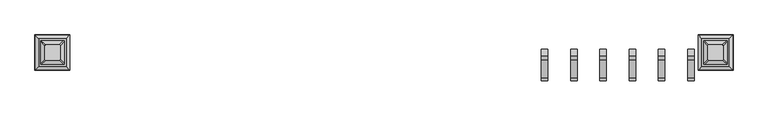
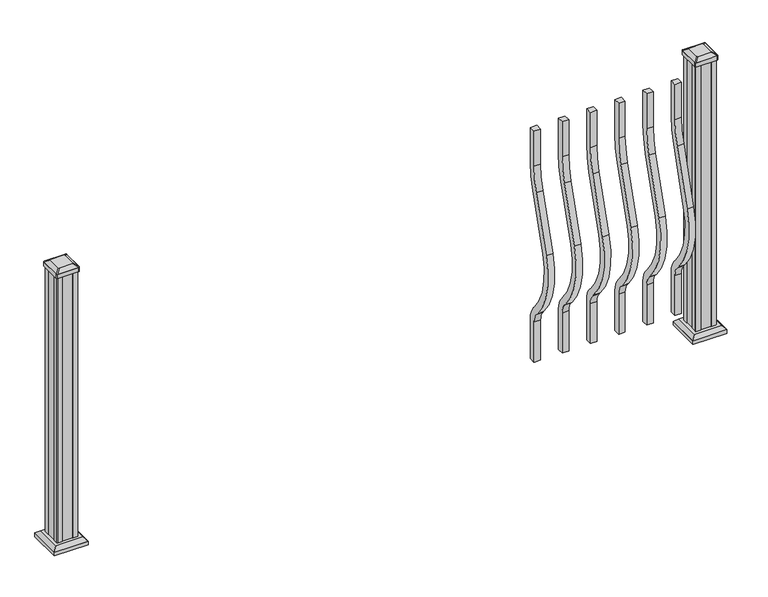
"""IFC4 building model written with IfcOpenShell, lengths in millimetres: railing geometry."""

from ifc_helpers import new_model, si_unit, point, frame, frame_2d, origin, origin_with_axes, place, context, project, spatial, polyline, circle_curve, trimmed, segment, composite_curve, outline, extrude, faceted_brep, source, transform, mapped, element, save
from ifc_brep_helpers import plane_surface, extruded_surface, advanced_brep


def railing_48706230(model_context):
    return source(origin(), model_context, "Body", "SolidModel", [
        extrude(outline(composite_curve([segment(trimmed(circle_curve(frame_2d((-49632.366414, 921.03216)), 372.7), [point((-49259.666414, 921.03216))], [point((-49275.9516315, 812.0652257))], False, "CARTESIAN"), True, "CONTINUOUS"), segment(polyline([(-49275.9516315, 812.0652257), (-49343.7789093, 590.2121964)]), True, "CONTINUOUS"), segment(trimmed(circle_curve(frame_2d((-49088.158648, 512.0612397)), 267.3), [point((-49343.7789093, 590.2121964))], [point((-49287.4736709, 333.9522516))], True, "CARTESIAN"), True, "CONTINUOUS"), segment(polyline([(-49287.4736709, 333.9522516), (-49281.9719976, 327.7955374)]), True, "CONTINUOUS"), segment(trimmed(circle_curve(frame_2d((-49347.366414, 269.3587313)), 87.7), [point((-49281.9719976, 327.7955374))], [point((-49259.666414, 269.3587313))], False, "CARTESIAN"), True, "CONTINUOUS"), segment(polyline([(-49259.666414, 269.3587313), (-49259.666414, 101.5958781), (-49285.066414, 101.5958781), (-49285.066414, 269.3587313)]), True, "CONTINUOUS"), segment(trimmed(circle_curve(frame_2d((-49347.366414, 269.3587313)), 62.3), [point((-49285.066414, 269.3587313))], [point((-49300.9117716, 310.8708524))], True, "CARTESIAN"), True, "CONTINUOUS"), segment(polyline([(-49300.9117716, 310.8708524), (-49306.4134448, 317.0275666)]), True, "CONTINUOUS"), segment(trimmed(circle_curve(frame_2d((-49088.158648, 512.0612397)), 292.7), [point((-49306.4134448, 317.0275666))], [point((-49368.0690501, 597.6384377))], False, "CARTESIAN"), True, "CONTINUOUS"), segment(polyline([(-49368.0690501, 597.6384377), (-49300.2417723, 819.491467)]), True, "CONTINUOUS"), segment(trimmed(circle_curve(frame_2d((-49632.366414, 921.03216)), 347.3), [point((-49300.2417723, 819.491467))], [point((-49285.066414, 921.03216))], True, "CARTESIAN"), True, "CONTINUOUS"), segment(polyline([(-49285.066414, 921.03216), (-49285.066414, 1066.8), (-49259.666414, 1066.8), (-49259.666414, 921.03216)]), True, "CONTINUOUS")], self_intersect=False)), frame((18834.6001294, 0.0, 0.0), z_axis=(1.0, 0.0, 0.0), x_axis=(0.0, 1.0, 0.0)), (0.0, 0.0, 1.0), 25.4),
        extrude(outline(composite_curve([segment(trimmed(circle_curve(frame_2d((-49632.366414, 921.03216)), 372.7), [point((-49259.666414, 921.03216))], [point((-49275.9516315, 812.0652257))], False, "CARTESIAN"), True, "CONTINUOUS"), segment(polyline([(-49275.9516315, 812.0652257), (-49343.7789093, 590.2121964)]), True, "CONTINUOUS"), segment(trimmed(circle_curve(frame_2d((-49088.158648, 512.0612397)), 267.3), [point((-49343.7789093, 590.2121964))], [point((-49287.4736709, 333.9522516))], True, "CARTESIAN"), True, "CONTINUOUS"), segment(polyline([(-49287.4736709, 333.9522516), (-49281.9719976, 327.7955374)]), True, "CONTINUOUS"), segment(trimmed(circle_curve(frame_2d((-49347.366414, 269.3587313)), 87.7), [point((-49281.9719976, 327.7955374))], [point((-49259.666414, 269.3587313))], False, "CARTESIAN"), True, "CONTINUOUS"), segment(polyline([(-49259.666414, 269.3587313), (-49259.666414, 101.5958781), (-49285.066414, 101.5958781), (-49285.066414, 269.3587313)]), True, "CONTINUOUS"), segment(trimmed(circle_curve(frame_2d((-49347.366414, 269.3587313)), 62.3), [point((-49285.066414, 269.3587313))], [point((-49300.9117716, 310.8708524))], True, "CARTESIAN"), True, "CONTINUOUS"), segment(polyline([(-49300.9117716, 310.8708524), (-49306.4134448, 317.0275666)]), True, "CONTINUOUS"), segment(trimmed(circle_curve(frame_2d((-49088.158648, 512.0612397)), 292.7), [point((-49306.4134448, 317.0275666))], [point((-49368.0690501, 597.6384377))], False, "CARTESIAN"), True, "CONTINUOUS"), segment(polyline([(-49368.0690501, 597.6384377), (-49300.2417723, 819.491467)]), True, "CONTINUOUS"), segment(trimmed(circle_curve(frame_2d((-49632.366414, 921.03216)), 347.3), [point((-49300.2417723, 819.491467))], [point((-49285.066414, 921.03216))], True, "CARTESIAN"), True, "CONTINUOUS"), segment(polyline([(-49285.066414, 921.03216), (-49285.066414, 1066.8), (-49259.666414, 1066.8), (-49259.666414, 921.03216)]), True, "CONTINUOUS")], self_intersect=False)), frame((18945.8521294, 0.0, 0.0), z_axis=(1.0, 0.0, 0.0), x_axis=(0.0, 1.0, 0.0)), (0.0, 0.0, 1.0), 25.4),
        extrude(outline(composite_curve([segment(trimmed(circle_curve(frame_2d((-49632.366414, 921.03216)), 372.7), [point((-49259.666414, 921.03216))], [point((-49275.9516315, 812.0652257))], False, "CARTESIAN"), True, "CONTINUOUS"), segment(polyline([(-49275.9516315, 812.0652257), (-49343.7789093, 590.2121964)]), True, "CONTINUOUS"), segment(trimmed(circle_curve(frame_2d((-49088.158648, 512.0612397)), 267.3), [point((-49343.7789093, 590.2121964))], [point((-49287.4736709, 333.9522516))], True, "CARTESIAN"), True, "CONTINUOUS"), segment(polyline([(-49287.4736709, 333.9522516), (-49281.9719976, 327.7955374)]), True, "CONTINUOUS"), segment(trimmed(circle_curve(frame_2d((-49347.366414, 269.3587313)), 87.7), [point((-49281.9719976, 327.7955374))], [point((-49259.666414, 269.3587313))], False, "CARTESIAN"), True, "CONTINUOUS"), segment(polyline([(-49259.666414, 269.3587313), (-49259.666414, 101.5958781), (-49285.066414, 101.5958781), (-49285.066414, 269.3587313)]), True, "CONTINUOUS"), segment(trimmed(circle_curve(frame_2d((-49347.366414, 269.3587313)), 62.3), [point((-49285.066414, 269.3587313))], [point((-49300.9117716, 310.8708524))], True, "CARTESIAN"), True, "CONTINUOUS"), segment(polyline([(-49300.9117716, 310.8708524), (-49306.4134448, 317.0275666)]), True, "CONTINUOUS"), segment(trimmed(circle_curve(frame_2d((-49088.158648, 512.0612397)), 292.7), [point((-49306.4134448, 317.0275666))], [point((-49368.0690501, 597.6384377))], False, "CARTESIAN"), True, "CONTINUOUS"), segment(polyline([(-49368.0690501, 597.6384377), (-49300.2417723, 819.491467)]), True, "CONTINUOUS"), segment(trimmed(circle_curve(frame_2d((-49632.366414, 921.03216)), 347.3), [point((-49300.2417723, 819.491467))], [point((-49285.066414, 921.03216))], True, "CARTESIAN"), True, "CONTINUOUS"), segment(polyline([(-49285.066414, 921.03216), (-49285.066414, 1066.8), (-49259.666414, 1066.8), (-49259.666414, 921.03216)]), True, "CONTINUOUS")], self_intersect=False)), frame((19057.1041294, 0.0, 0.0), z_axis=(1.0, 0.0, 0.0), x_axis=(0.0, 1.0, 0.0)), (0.0, 0.0, 1.0), 25.4),
        extrude(outline(composite_curve([segment(trimmed(circle_curve(frame_2d((-49632.366414, 921.03216)), 372.7), [point((-49259.666414, 921.03216))], [point((-49275.9516315, 812.0652257))], False, "CARTESIAN"), True, "CONTINUOUS"), segment(polyline([(-49275.9516315, 812.0652257), (-49343.7789093, 590.2121964)]), True, "CONTINUOUS"), segment(trimmed(circle_curve(frame_2d((-49088.158648, 512.0612397)), 267.3), [point((-49343.7789093, 590.2121964))], [point((-49287.4736709, 333.9522516))], True, "CARTESIAN"), True, "CONTINUOUS"), segment(polyline([(-49287.4736709, 333.9522516), (-49281.9719976, 327.7955374)]), True, "CONTINUOUS"), segment(trimmed(circle_curve(frame_2d((-49347.366414, 269.3587313)), 87.7), [point((-49281.9719976, 327.7955374))], [point((-49259.666414, 269.3587313))], False, "CARTESIAN"), True, "CONTINUOUS"), segment(polyline([(-49259.666414, 269.3587313), (-49259.666414, 101.5958781), (-49285.066414, 101.5958781), (-49285.066414, 269.3587313)]), True, "CONTINUOUS"), segment(trimmed(circle_curve(frame_2d((-49347.366414, 269.3587313)), 62.3), [point((-49285.066414, 269.3587313))], [point((-49300.9117716, 310.8708524))], True, "CARTESIAN"), True, "CONTINUOUS"), segment(polyline([(-49300.9117716, 310.8708524), (-49306.4134448, 317.0275666)]), True, "CONTINUOUS"), segment(trimmed(circle_curve(frame_2d((-49088.158648, 512.0612397)), 292.7), [point((-49306.4134448, 317.0275666))], [point((-49368.0690501, 597.6384377))], False, "CARTESIAN"), True, "CONTINUOUS"), segment(polyline([(-49368.0690501, 597.6384377), (-49300.2417723, 819.491467)]), True, "CONTINUOUS"), segment(trimmed(circle_curve(frame_2d((-49632.366414, 921.03216)), 347.3), [point((-49300.2417723, 819.491467))], [point((-49285.066414, 921.03216))], True, "CARTESIAN"), True, "CONTINUOUS"), segment(polyline([(-49285.066414, 921.03216), (-49285.066414, 1066.8), (-49259.666414, 1066.8), (-49259.666414, 921.03216)]), True, "CONTINUOUS")], self_intersect=False)), frame((19168.3561294, 0.0, 0.0), z_axis=(1.0, 0.0, 0.0), x_axis=(0.0, 1.0, 0.0)), (0.0, 0.0, 1.0), 25.4),
        extrude(outline(composite_curve([segment(trimmed(circle_curve(frame_2d((-49632.366414, 921.03216)), 372.7), [point((-49259.666414, 921.03216))], [point((-49275.9516315, 812.0652257))], False, "CARTESIAN"), True, "CONTINUOUS"), segment(polyline([(-49275.9516315, 812.0652257), (-49343.7789093, 590.2121964)]), True, "CONTINUOUS"), segment(trimmed(circle_curve(frame_2d((-49088.158648, 512.0612397)), 267.3), [point((-49343.7789093, 590.2121964))], [point((-49287.4736709, 333.9522516))], True, "CARTESIAN"), True, "CONTINUOUS"), segment(polyline([(-49287.4736709, 333.9522516), (-49281.9719976, 327.7955374)]), True, "CONTINUOUS"), segment(trimmed(circle_curve(frame_2d((-49347.366414, 269.3587313)), 87.7), [point((-49281.9719976, 327.7955374))], [point((-49259.666414, 269.3587313))], False, "CARTESIAN"), True, "CONTINUOUS"), segment(polyline([(-49259.666414, 269.3587313), (-49259.666414, 101.5958781), (-49285.066414, 101.5958781), (-49285.066414, 269.3587313)]), True, "CONTINUOUS"), segment(trimmed(circle_curve(frame_2d((-49347.366414, 269.3587313)), 62.3), [point((-49285.066414, 269.3587313))], [point((-49300.9117716, 310.8708524))], True, "CARTESIAN"), True, "CONTINUOUS"), segment(polyline([(-49300.9117716, 310.8708524), (-49306.4134448, 317.0275666)]), True, "CONTINUOUS"), segment(trimmed(circle_curve(frame_2d((-49088.158648, 512.0612397)), 292.7), [point((-49306.4134448, 317.0275666))], [point((-49368.0690501, 597.6384377))], False, "CARTESIAN"), True, "CONTINUOUS"), segment(polyline([(-49368.0690501, 597.6384377), (-49300.2417723, 819.491467)]), True, "CONTINUOUS"), segment(trimmed(circle_curve(frame_2d((-49632.366414, 921.03216)), 347.3), [point((-49300.2417723, 819.491467))], [point((-49285.066414, 921.03216))], True, "CARTESIAN"), True, "CONTINUOUS"), segment(polyline([(-49285.066414, 921.03216), (-49285.066414, 1066.8), (-49259.666414, 1066.8), (-49259.666414, 921.03216)]), True, "CONTINUOUS")], self_intersect=False)), frame((19279.6081294, 0.0, 0.0), z_axis=(1.0, 0.0, 0.0), x_axis=(0.0, 1.0, 0.0)), (0.0, 0.0, 1.0), 25.4),
        extrude(outline(composite_curve([segment(trimmed(circle_curve(frame_2d((-49632.366414, 921.03216)), 372.7), [point((-49259.666414, 921.03216))], [point((-49275.9516315, 812.0652257))], False, "CARTESIAN"), True, "CONTINUOUS"), segment(polyline([(-49275.9516315, 812.0652257), (-49343.7789093, 590.2121964)]), True, "CONTINUOUS"), segment(trimmed(circle_curve(frame_2d((-49088.158648, 512.0612397)), 267.3), [point((-49343.7789093, 590.2121964))], [point((-49287.4736709, 333.9522516))], True, "CARTESIAN"), True, "CONTINUOUS"), segment(polyline([(-49287.4736709, 333.9522516), (-49281.9719976, 327.7955374)]), True, "CONTINUOUS"), segment(trimmed(circle_curve(frame_2d((-49347.366414, 269.3587313)), 87.7), [point((-49281.9719976, 327.7955374))], [point((-49259.666414, 269.3587313))], False, "CARTESIAN"), True, "CONTINUOUS"), segment(polyline([(-49259.666414, 269.3587313), (-49259.666414, 101.5958781), (-49285.066414, 101.5958781), (-49285.066414, 269.3587313)]), True, "CONTINUOUS"), segment(trimmed(circle_curve(frame_2d((-49347.366414, 269.3587313)), 62.3), [point((-49285.066414, 269.3587313))], [point((-49300.9117716, 310.8708524))], True, "CARTESIAN"), True, "CONTINUOUS"), segment(polyline([(-49300.9117716, 310.8708524), (-49306.4134448, 317.0275666)]), True, "CONTINUOUS"), segment(trimmed(circle_curve(frame_2d((-49088.158648, 512.0612397)), 292.7), [point((-49306.4134448, 317.0275666))], [point((-49368.0690501, 597.6384377))], False, "CARTESIAN"), True, "CONTINUOUS"), segment(polyline([(-49368.0690501, 597.6384377), (-49300.2417723, 819.491467)]), True, "CONTINUOUS"), segment(trimmed(circle_curve(frame_2d((-49632.366414, 921.03216)), 347.3), [point((-49300.2417723, 819.491467))], [point((-49285.066414, 921.03216))], True, "CARTESIAN"), True, "CONTINUOUS"), segment(polyline([(-49285.066414, 921.03216), (-49285.066414, 1066.8), (-49259.666414, 1066.8), (-49259.666414, 921.03216)]), True, "CONTINUOUS")], self_intersect=False)), frame((19390.8601294, 0.0, 0.0), z_axis=(1.0, 0.0, 0.0), x_axis=(0.0, 1.0, 0.0)), (0.0, 0.0, 1.0), 25.4),
        faceted_brep([(17028.6680669, -49324.9523515, 28.575), (17028.6680669, -49219.7804765, 28.575), (16923.4961919, -49219.7804765, 28.575), (16923.4961919, -49324.9523515, 28.575), (17042.7075201, -49338.9918046, 15.24), (16909.4567388, -49338.9918046, 15.24), (16909.4567388, -49205.7410234, 15.24), (17042.7075201, -49205.7410234, 15.24)], [[[0, 1, 2, 3]], [[4, 5, 6, 7]], [[4, 7, 1, 0]], [[7, 6, 2, 1]], [[6, 5, 3, 2]], [[5, 4, 0, 3]]]),
        extrude(outline(polyline([(17042.7075201, -49338.9918046), (16909.4567388, -49338.9918046), (16909.4567388, -49205.7410234), (17042.7075201, -49205.7410234), (17042.7075201, -49338.9918046)])), origin_with_axes(), (0.0, 0.0, 1.0), 15.24),
        advanced_brep(
        [(17005.0540044, -49246.569539, 1165.225), (17001.8790044, -49243.394539, 1165.225), (16950.2852544, -49243.394539, 1165.225), (16947.1102544, -49246.569539, 1165.225), (16947.1102544, -49298.163289, 1165.225), (16950.2852544, -49301.338289, 1165.225), (17001.8790044, -49301.338289, 1165.225), (17005.0540044, -49298.163289, 1165.225), (17021.3258794, -49230.297664, 1153.922), (17021.3258794, -49314.435164, 1153.922), (17018.1508794, -49317.610164, 1153.922), (16934.0133794, -49317.610164, 1153.922), (16930.8383794, -49314.435164, 1153.922), (16930.8383794, -49230.297664, 1153.922), (16934.0133794, -49227.122664, 1153.922), (17018.1508794, -49227.122664, 1153.922)],
        [
            (0, 1, circle_curve(frame((17001.8790044, -49246.569539, 1165.225), z_axis=(0.0, 0.0, 1.0), x_axis=(-1.0, 0.0, 0.0)), 3.175)),
            (1, 2),
            (2, 3, circle_curve(frame((16950.2852544, -49246.569539, 1165.225), z_axis=(0.0, 0.0, 1.0), x_axis=(-1.0, 0.0, 0.0)), 3.175)),
            (3, 4),
            (4, 5, circle_curve(frame((16950.2852544, -49298.163289, 1165.225), z_axis=(0.0, 0.0, 1.0), x_axis=(-1.0, 0.0, 0.0)), 3.175)),
            (5, 6),
            (6, 7, circle_curve(frame((17001.8790044, -49298.163289, 1165.225), z_axis=(0.0, 0.0, 1.0), x_axis=(-1.0, 0.0, 0.0)), 3.175)),
            (7, 0),
            (8, 9),
            (9, 10, circle_curve(frame((17018.1508794, -49314.435164, 1153.922), z_axis=(0.0, 0.0, -1.0), x_axis=(-1.0, 0.0, 0.0)), 3.175)),
            (10, 11),
            (11, 12, circle_curve(frame((16934.0133794, -49314.435164, 1153.922), z_axis=(0.0, 0.0, -1.0), x_axis=(-1.0, 0.0, 0.0)), 3.175)),
            (12, 13),
            (13, 14, circle_curve(frame((16934.0133794, -49230.297664, 1153.922), z_axis=(0.0, 0.0, -1.0), x_axis=(-1.0, 0.0, 0.0)), 3.175)),
            (14, 15),
            (15, 8, circle_curve(frame((17018.1508794, -49230.297664, 1153.922), z_axis=(0.0, 0.0, -1.0), x_axis=(-1.0, 0.0, 0.0)), 3.175)),
            (15, 1),
            (0, 8),
            (14, 2),
            (13, 3),
            (12, 4),
            (11, 5),
            (10, 6),
            (9, 7),
        ],
        [
            plane_surface(frame((16976.0821294, -49272.366414, 1165.225), z_axis=(0.0, 0.0, 1.0), x_axis=(0.0, 1.0, 0.0))),
            plane_surface(frame((16976.0821294, -49272.366414, 1153.922), z_axis=(0.0, 0.0, -1.0), x_axis=(0.0, 1.0, 0.0))),
            extruded_surface(trimmed(circle_curve(frame((17018.1508794, -49230.297664, 1153.922), z_axis=(0.0, 0.0, 1.0), x_axis=(-1.0, 0.0, 0.0)), 3.175), [point((17021.3258794, -49230.297664, 1153.922))], [point((17018.1508794, -49227.122664, 1153.922))], True, "CARTESIAN"), (-16.271874999998545, -16.271874999998545, 11.302999999999884), 25.637972638864262),
            plane_surface(frame((16976.0821294, -49227.122664, 1153.922), z_axis=(0.0, 0.5705009161540777, 0.8212969649690409), x_axis=(-1.0, 0.0, 0.0))),
            extruded_surface(trimmed(circle_curve(frame((16934.0133794, -49230.297664, 1153.922), z_axis=(0.0, 0.0, 1.0), x_axis=(-1.0, 0.0, 0.0)), 3.175), [point((16934.0133794, -49227.122664, 1153.922))], [point((16930.8383794, -49230.297664, 1153.922))], True, "CARTESIAN"), (16.271875000002183, -16.271874999998545, 11.302999999999884), 25.637972638866575),
            plane_surface(frame((16930.8383794, -49272.366414, 1153.922), z_axis=(-0.5705009161540291, 0.0, 0.8212969649690747), x_axis=(0.0, -1.0, 0.0))),
            extruded_surface(trimmed(circle_curve(frame((16934.0133794, -49314.435164, 1153.922), z_axis=(0.0, 0.0, 1.0), x_axis=(-1.0, 0.0, 0.0)), 3.175), [point((16930.8383794, -49314.435164, 1153.922))], [point((16934.0133794, -49317.610164, 1153.922))], True, "CARTESIAN"), (16.271875000002183, 16.27187500000582, 11.302999999999884), 25.637972638871194),
            plane_surface(frame((16976.0821294, -49317.610164, 1153.922), z_axis=(0.0, -0.5705009161540143, 0.821296964969085), x_axis=(1.0, 0.0, 0.0))),
            extruded_surface(trimmed(circle_curve(frame((17018.1508794, -49314.435164, 1153.922), z_axis=(0.0, 0.0, 1.0), x_axis=(-1.0, 0.0, 0.0)), 3.175), [point((17018.1508794, -49317.610164, 1153.922))], [point((17021.3258794, -49314.435164, 1153.922))], True, "CARTESIAN"), (-16.271874999998545, 16.27187500000582, 11.302999999999884), 25.63797263886888),
            plane_surface(frame((17021.3258794, -49272.366414, 1153.922), z_axis=(0.570500916154034, 0.0, 0.8212969649690713), x_axis=(0.0, 1.0, 0.0))),
        ],
        [
            (0, [[1, 2, 3, 4, 5, 6, 7, 8]]),
            (1, [[9, 10, 11, 12, 13, 14, 15, 16]]),
            (2, [[-16, 17, -1, 18]]),
            (3, [[-15, 19, -2, -17]]),
            (4, [[-14, 20, -3, -19]]),
            (5, [[-13, 21, -4, -20]]),
            (6, [[-12, 22, -5, -21]]),
            (7, [[-11, 23, -6, -22]]),
            (8, [[-10, 24, -7, -23]]),
            (9, [[-9, -18, -8, -24]]),
        ],
    ),
        extrude(outline(composite_curve([segment(polyline([(17021.3258794, -49230.297664), (17021.3258794, -49314.435164)]), True, "CONTINUOUS"), segment(trimmed(circle_curve(frame_2d((17018.1508794, -49314.435164)), 3.175), [point((17021.3258794, -49314.435164))], [point((17018.1508794, -49317.610164))], False, "CARTESIAN"), True, "CONTINUOUS"), segment(polyline([(17018.1508794, -49317.610164), (16934.0133794, -49317.610164)]), True, "CONTINUOUS"), segment(trimmed(circle_curve(frame_2d((16934.0133794, -49314.435164)), 3.175), [point((16934.0133794, -49317.610164))], [point((16930.8383794, -49314.435164))], False, "CARTESIAN"), True, "CONTINUOUS"), segment(polyline([(16930.8383794, -49314.435164), (16930.8383794, -49230.297664)]), True, "CONTINUOUS"), segment(trimmed(circle_curve(frame_2d((16934.0133794, -49230.297664)), 3.175), [point((16930.8383794, -49230.297664))], [point((16934.0133794, -49227.122664))], False, "CARTESIAN"), True, "CONTINUOUS"), segment(polyline([(16934.0133794, -49227.122664), (17018.1508794, -49227.122664)]), True, "CONTINUOUS"), segment(trimmed(circle_curve(frame_2d((17018.1508794, -49230.297664)), 3.175), [point((17018.1508794, -49227.122664))], [point((17021.3258794, -49230.297664))], False, "CARTESIAN"), True, "CONTINUOUS")], self_intersect=False)), frame((0.0, 0.0, 1136.65), z_axis=(0.0, 0.0, 1.0), x_axis=(1.0, 0.0, 0.0)), (0.0, 0.0, 1.0), 17.272),
        extrude(outline(polyline([(17017.3571294, -49232.678914), (17017.3571294, -49252.300414), (17015.7696294, -49253.062414), (17015.7696294, -49291.670414), (17017.3571294, -49292.432414), (17017.3571294, -49312.053914), (17015.7696294, -49313.641414), (16996.1481294, -49313.641414), (16995.3861294, -49312.053914), (16956.7781294, -49312.053914), (16956.0161294, -49313.641414), (16936.3946294, -49313.641414), (16934.8071294, -49312.053914), (16934.8071294, -49292.432414), (16936.3946294, -49291.670414), (16936.3946294, -49253.062414), (16934.8071294, -49252.300414), (16934.8071294, -49232.678914), (16936.3946294, -49231.091414), (16956.0161294, -49231.091414), (16956.7781294, -49232.678914), (16995.3861294, -49232.678914), (16996.1481294, -49231.091414), (17015.7696294, -49231.091414), (17017.3571294, -49232.678914)])), origin_with_axes(), (0.0, 0.0, 1.0), 1136.65),
        faceted_brep([(19549.8720669, -49324.9523515, 28.575), (19549.8720669, -49219.7804765, 28.575), (19444.7001919, -49219.7804765, 28.575), (19444.7001919, -49324.9523515, 28.575), (19563.9115201, -49338.9918046, 15.24), (19430.6607388, -49338.9918046, 15.24), (19430.6607388, -49205.7410234, 15.24), (19563.9115201, -49205.7410234, 15.24)], [[[0, 1, 2, 3]], [[4, 5, 6, 7]], [[4, 7, 1, 0]], [[7, 6, 2, 1]], [[6, 5, 3, 2]], [[5, 4, 0, 3]]]),
        extrude(outline(polyline([(19563.9115201, -49338.9918046), (19430.6607388, -49338.9918046), (19430.6607388, -49205.7410234), (19563.9115201, -49205.7410234), (19563.9115201, -49338.9918046)])), origin_with_axes(), (0.0, 0.0, 1.0), 15.24),
        advanced_brep(
        [(19526.2580044, -49246.569539, 1165.225), (19523.0830044, -49243.394539, 1165.225), (19471.4892544, -49243.394539, 1165.225), (19468.3142544, -49246.569539, 1165.225), (19468.3142544, -49298.163289, 1165.225), (19471.4892544, -49301.338289, 1165.225), (19523.0830044, -49301.338289, 1165.225), (19526.2580044, -49298.163289, 1165.225), (19542.5298794, -49230.297664, 1153.922), (19542.5298794, -49314.435164, 1153.922), (19539.3548794, -49317.610164, 1153.922), (19455.2173794, -49317.610164, 1153.922), (19452.0423794, -49314.435164, 1153.922), (19452.0423794, -49230.297664, 1153.922), (19455.2173794, -49227.122664, 1153.922), (19539.3548794, -49227.122664, 1153.922)],
        [
            (0, 1, circle_curve(frame((19523.0830044, -49246.569539, 1165.225), z_axis=(0.0, 0.0, 1.0), x_axis=(-1.0, 0.0, 0.0)), 3.175)),
            (1, 2),
            (2, 3, circle_curve(frame((19471.4892544, -49246.569539, 1165.225), z_axis=(0.0, 0.0, 1.0), x_axis=(-1.0, 0.0, 0.0)), 3.175)),
            (3, 4),
            (4, 5, circle_curve(frame((19471.4892544, -49298.163289, 1165.225), z_axis=(0.0, 0.0, 1.0), x_axis=(-1.0, 0.0, 0.0)), 3.175)),
            (5, 6),
            (6, 7, circle_curve(frame((19523.0830044, -49298.163289, 1165.225), z_axis=(0.0, 0.0, 1.0), x_axis=(-1.0, 0.0, 0.0)), 3.175)),
            (7, 0),
            (8, 9),
            (9, 10, circle_curve(frame((19539.3548794, -49314.435164, 1153.922), z_axis=(0.0, 0.0, -1.0), x_axis=(-1.0, 0.0, 0.0)), 3.175)),
            (10, 11),
            (11, 12, circle_curve(frame((19455.2173794, -49314.435164, 1153.922), z_axis=(0.0, 0.0, -1.0), x_axis=(-1.0, 0.0, 0.0)), 3.175)),
            (12, 13),
            (13, 14, circle_curve(frame((19455.2173794, -49230.297664, 1153.922), z_axis=(0.0, 0.0, -1.0), x_axis=(-1.0, 0.0, 0.0)), 3.175)),
            (14, 15),
            (15, 8, circle_curve(frame((19539.3548794, -49230.297664, 1153.922), z_axis=(0.0, 0.0, -1.0), x_axis=(-1.0, 0.0, 0.0)), 3.175)),
            (15, 1),
            (0, 8),
            (14, 2),
            (13, 3),
            (12, 4),
            (11, 5),
            (10, 6),
            (9, 7),
        ],
        [
            plane_surface(frame((19497.2861294, -49272.366414, 1165.225), z_axis=(0.0, 0.0, 1.0), x_axis=(0.0, 1.0, 0.0))),
            plane_surface(frame((19497.2861294, -49272.366414, 1153.922), z_axis=(0.0, 0.0, -1.0), x_axis=(0.0, 1.0, 0.0))),
            extruded_surface(trimmed(circle_curve(frame((19539.3548794, -49230.297664, 1153.922), z_axis=(0.0, 0.0, 1.0), x_axis=(-1.0, 0.0, 0.0)), 3.175), [point((19542.5298794, -49230.297664, 1153.922))], [point((19539.3548794, -49227.122664, 1153.922))], True, "CARTESIAN"), (-16.271875000002183, -16.271874999998545, 11.302999999999884), 25.637972638866575),
            plane_surface(frame((19497.2861294, -49227.122664, 1153.922), z_axis=(0.0, 0.5705009161540777, 0.8212969649690409), x_axis=(-1.0, 0.0, 0.0))),
            extruded_surface(trimmed(circle_curve(frame((19455.2173794, -49230.297664, 1153.922), z_axis=(0.0, 0.0, 1.0), x_axis=(-1.0, 0.0, 0.0)), 3.175), [point((19455.2173794, -49227.122664, 1153.922))], [point((19452.0423794, -49230.297664, 1153.922))], True, "CARTESIAN"), (16.271874999998545, -16.271874999998545, 11.302999999999884), 25.637972638864262),
            plane_surface(frame((19452.0423794, -49272.366414, 1153.922), z_axis=(-0.5705009161540291, 0.0, 0.8212969649690747), x_axis=(0.0, -1.0, 0.0))),
            extruded_surface(trimmed(circle_curve(frame((19455.2173794, -49314.435164, 1153.922), z_axis=(0.0, 0.0, 1.0), x_axis=(-1.0, 0.0, 0.0)), 3.175), [point((19452.0423794, -49314.435164, 1153.922))], [point((19455.2173794, -49317.610164, 1153.922))], True, "CARTESIAN"), (16.271874999998545, 16.27187500000582, 11.302999999999884), 25.63797263886888),
            plane_surface(frame((19497.2861294, -49317.610164, 1153.922), z_axis=(0.0, -0.5705009161540143, 0.821296964969085), x_axis=(1.0, 0.0, 0.0))),
            extruded_surface(trimmed(circle_curve(frame((19539.3548794, -49314.435164, 1153.922), z_axis=(0.0, 0.0, 1.0), x_axis=(-1.0, 0.0, 0.0)), 3.175), [point((19539.3548794, -49317.610164, 1153.922))], [point((19542.5298794, -49314.435164, 1153.922))], True, "CARTESIAN"), (-16.271875000002183, 16.27187500000582, 11.302999999999884), 25.637972638871194),
            plane_surface(frame((19542.5298794, -49272.366414, 1153.922), z_axis=(0.570500916154034, 0.0, 0.8212969649690713), x_axis=(0.0, 1.0, 0.0))),
        ],
        [
            (0, [[1, 2, 3, 4, 5, 6, 7, 8]]),
            (1, [[9, 10, 11, 12, 13, 14, 15, 16]]),
            (2, [[-16, 17, -1, 18]]),
            (3, [[-15, 19, -2, -17]]),
            (4, [[-14, 20, -3, -19]]),
            (5, [[-13, 21, -4, -20]]),
            (6, [[-12, 22, -5, -21]]),
            (7, [[-11, 23, -6, -22]]),
            (8, [[-10, 24, -7, -23]]),
            (9, [[-9, -18, -8, -24]]),
        ],
    ),
        extrude(outline(composite_curve([segment(polyline([(19542.5298794, -49230.297664), (19542.5298794, -49314.435164)]), True, "CONTINUOUS"), segment(trimmed(circle_curve(frame_2d((19539.3548794, -49314.435164)), 3.175), [point((19542.5298794, -49314.435164))], [point((19539.3548794, -49317.610164))], False, "CARTESIAN"), True, "CONTINUOUS"), segment(polyline([(19539.3548794, -49317.610164), (19455.2173794, -49317.610164)]), True, "CONTINUOUS"), segment(trimmed(circle_curve(frame_2d((19455.2173794, -49314.435164)), 3.175), [point((19455.2173794, -49317.610164))], [point((19452.0423794, -49314.435164))], False, "CARTESIAN"), True, "CONTINUOUS"), segment(polyline([(19452.0423794, -49314.435164), (19452.0423794, -49230.297664)]), True, "CONTINUOUS"), segment(trimmed(circle_curve(frame_2d((19455.2173794, -49230.297664)), 3.175), [point((19452.0423794, -49230.297664))], [point((19455.2173794, -49227.122664))], False, "CARTESIAN"), True, "CONTINUOUS"), segment(polyline([(19455.2173794, -49227.122664), (19539.3548794, -49227.122664)]), True, "CONTINUOUS"), segment(trimmed(circle_curve(frame_2d((19539.3548794, -49230.297664)), 3.175), [point((19539.3548794, -49227.122664))], [point((19542.5298794, -49230.297664))], False, "CARTESIAN"), True, "CONTINUOUS")], self_intersect=False)), frame((0.0, 0.0, 1136.65), z_axis=(0.0, 0.0, 1.0), x_axis=(1.0, 0.0, 0.0)), (0.0, 0.0, 1.0), 17.272),
        extrude(outline(polyline([(19538.5611294, -49232.678914), (19538.5611294, -49252.300414), (19536.9736294, -49253.062414), (19536.9736294, -49291.670414), (19538.5611294, -49292.432414), (19538.5611294, -49312.053914), (19536.9736294, -49313.641414), (19517.3521294, -49313.641414), (19516.5901294, -49312.053914), (19477.9821294, -49312.053914), (19477.2201294, -49313.641414), (19457.5986294, -49313.641414), (19456.0111294, -49312.053914), (19456.0111294, -49292.432414), (19457.5986294, -49291.670414), (19457.5986294, -49253.062414), (19456.0111294, -49252.300414), (19456.0111294, -49232.678914), (19457.5986294, -49231.091414), (19477.2201294, -49231.091414), (19477.9821294, -49232.678914), (19516.5901294, -49232.678914), (19517.3521294, -49231.091414), (19536.9736294, -49231.091414), (19538.5611294, -49232.678914)])), origin_with_axes(), (0.0, 0.0, 1.0), 1136.65),
    ])


if __name__ == "__main__":
    model = new_model("IFC4")
    model_context = context("Model", 3, world=origin())
    ifc_project = project(units=[si_unit("LENGTHUNIT", "METRE", prefix="MILLI")], contexts=[model_context])
    site = spatial("IfcSite", under=ifc_project)
    building = spatial("IfcBuilding", under=site)
    placement = place(None, origin())
    railing_shape = railing_48706230(model_context)
    element("IfcRailing", 1, at=placement, inside=building, context=model_context, shape_type="MappedRepresentation", body=[
        mapped(railing_shape, transform((0.0, 0.0, 0.0), x_axis=(1.0, 0.0, 0.0), y_axis=(0.0, 1.0, 0.0), z_axis=(0.0, 0.0, 1.0))),
    ])
    save(model, "model.ifc")
